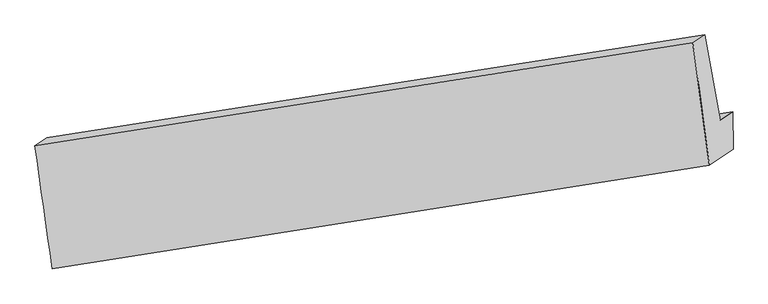
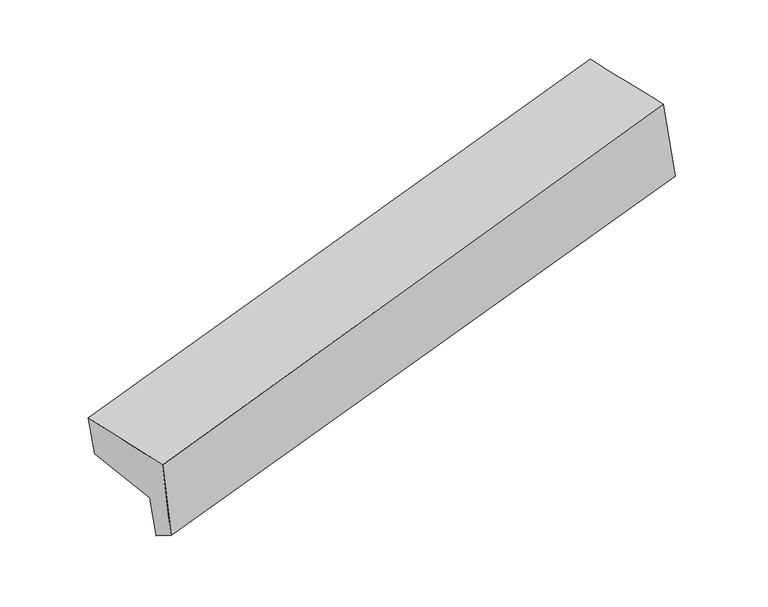
"""IFC4 building model written with IfcOpenShell, lengths in millimetres: proxy geometry."""

from ifc_helpers import new_model, si_unit, frame, origin, place, context, project, spatial, source, transform, mapped, element, save
from ifc_brep_helpers import plane_surface, spline_surface, advanced_brep


def generic_models_6ebc6ca8(model_context):
    return source(origin(), model_context, "Body", "AdvancedBrep", [
        advanced_brep(
        [(-5076.6163065, -2154.4340312, 1021.1345432), (-5079.246383, -1938.1138211, 890.0040555), (-397.698814, -1197.1611483, 2030.4031186), (-395.1384792, -1462.9518112, 2194.3022914), (-5241.589962, -2313.9206044, 1809.2069134), (-564.2614433, -1575.782683, 2968.9303462), (-5364.8623, -1437.0052063, 1744.0930129), (-681.5106046, -705.8319997, 2883.4396429), (-5280.719263, -1380.8689372, 1358.6955748), (-597.3675677, -649.6957306, 2498.0422048), (-5167.3860371, -1996.9164449, 1293.7070607), (-485.8340019, -1255.9607924, 2434.0856673)],
        [
            (0, 1),
            (1, 2),
            (2, 3),
            (3, 0),
            (4, 0),
            (3, 5),
            (5, 4),
            (6, 4),
            (5, 7),
            (7, 6),
            (8, 6),
            (7, 9),
            (9, 8),
            (10, 8),
            (9, 11),
            (11, 10),
            (1, 10),
            (11, 2),
        ],
        [
            spline_surface(1, 1, [[(-5076.6163065, -2154.4340312, 1021.1345432), (-395.1384792, -1462.9518112, 2194.3022914)], [(-5079.246383, -1938.1138211, 890.0040555), (-397.698814, -1197.1611483, 2030.4031186)]], [2, 2], [2, 2], [0.0, 1.0], [0.0, 1.0]),
            spline_surface(1, 1, [[(-5241.589962, -2313.9206044, 1809.2069134), (-564.2614433, -1575.782683, 2968.9303462)], [(-5076.6163065, -2154.4340312, 1021.1345432), (-395.1384792, -1462.9518112, 2194.3022914)]], [2, 2], [2, 2], [0.0, 1.0], [0.0, 1.0]),
            spline_surface(1, 1, [[(-5364.8623, -1437.0052063, 1744.0930129), (-681.5106046, -705.8319997, 2883.4396429)], [(-5241.589962, -2313.9206044, 1809.2069134), (-564.2614433, -1575.782683, 2968.9303462)]], [2, 2], [2, 2], [0.0, 1.0], [0.0, 1.0]),
            plane_surface(frame((-5322.7907815, -1408.9370718, 1551.3942939), z_axis=(-0.17799492471726414, 0.9785548904321907, 0.10367320379991568), x_axis=(-0.21117582315954395, -0.1408865577497348, 0.9672413088564403))),
            plane_surface(frame((-5224.05265, -1688.892691, 1326.2013178), z_axis=(0.21314609049922556, 0.14119862074347936, -0.9667635148292654), x_axis=(-0.17996601494579467, 0.978244589082251, 0.10319766177500363))),
            plane_surface(frame((-5123.31621, -1967.515133, 1091.8555581), z_axis=(-0.17996601494580924, 0.9782445890822484, 0.10319766177500352), x_axis=(-0.2111758231595455, -0.14088655774973596, 0.9672413088564399))),
            plane_surface(frame((-520.3018185, -1141.2306942, 2501.5338785), z_axis=(0.9607377400609483, 0.1522777126723744, 0.23193639870846477), x_axis=(-0.21117582315954395, -0.1408865577497348, 0.9672413088564403))),
            plane_surface(frame((-5201.7367086, -1870.2098408, 1352.8068601), z_axis=(-0.9607377400609522, -0.152277712672356, -0.23193639870845945), x_axis=(0.010396569825915669, -0.8551037216760434, 0.5183527143862898))),
        ],
        [
            (0, [[1, 2, 3, 4]]),
            (1, [[5, -4, 6, 7]]),
            (2, [[8, -7, 9, 10]]),
            (3, [[11, -10, 12, 13]]),
            (4, [[14, -13, 15, 16]]),
            (5, [[17, -16, 18, -2]]),
            (6, [[-12, -9, -6, -3, -18, -15]]),
            (7, [[-1, -5, -8, -11, -14, -17]]),
        ],
    ),
    ])


if __name__ == "__main__":
    model = new_model("IFC4")
    model_context = context("Model", 3, world=origin())
    ifc_project = project(units=[si_unit("LENGTHUNIT", "METRE", prefix="MILLI")], contexts=[model_context])
    site = spatial("IfcSite", under=ifc_project)
    building = spatial("IfcBuilding", under=site)
    placement = place(None, origin())
    generic_models_shape = generic_models_6ebc6ca8(model_context)
    element("IfcBuildingElementProxy", 1, Name="Generic Models", at=placement, inside=building, context=model_context, shape_type="MappedRepresentation", body=[
        mapped(generic_models_shape, transform((0.0, 0.0, 0.0), x_axis=(1.0, 0.0, 0.0), y_axis=(0.0, 1.0, 0.0), z_axis=(0.0, 0.0, 1.0))),
    ])
    save(model, "model.ifc")
